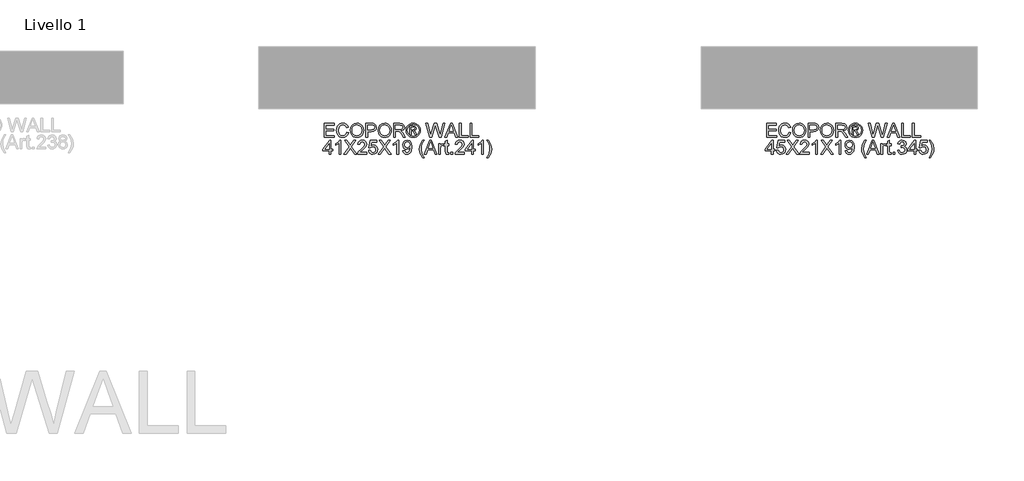
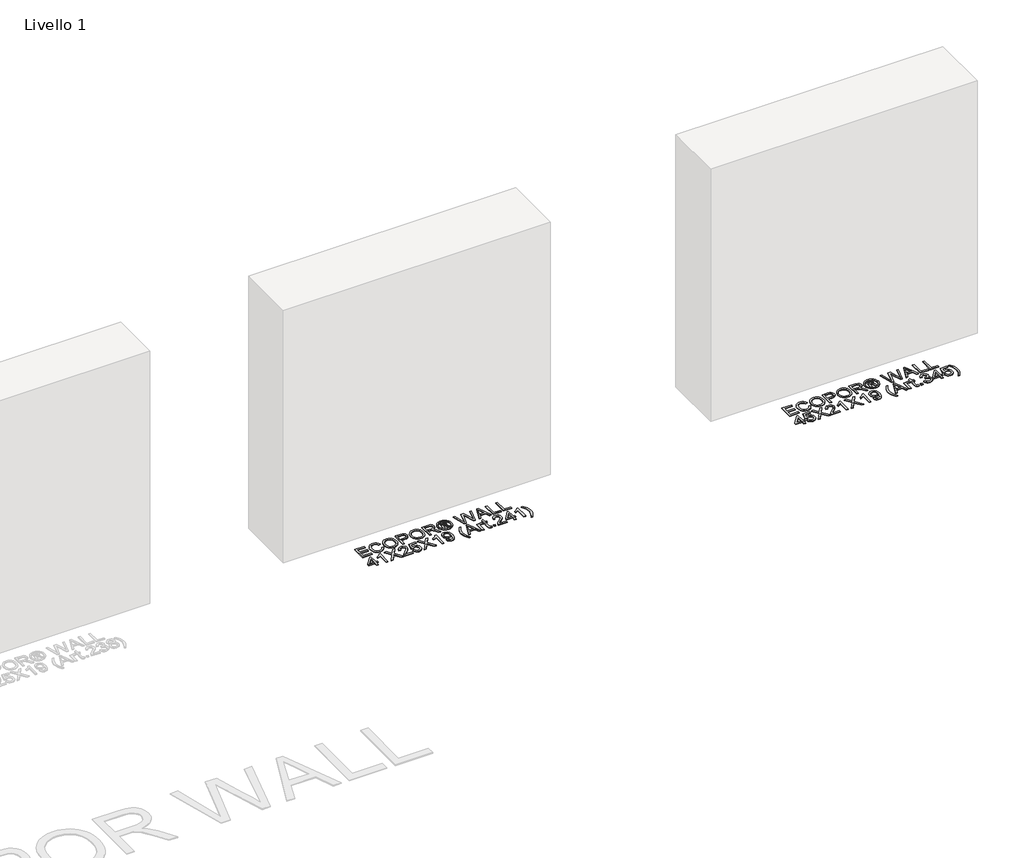
# One storey, part 4 of 4: 2 proxies.
"""IFC4 building model written with IfcOpenShell, lengths in millimetres."""

from ifc_helpers import new_model, si_unit, origin, origin_with_axes, place, context, project, spatial, polyline, outline, extrude, element, save

model = new_model("IFC4")

# Units and contexts
model_context = context("Model", 3, world=origin())
ifc_project = project(units=[si_unit("LENGTHUNIT", "METRE", prefix="MILLI")], contexts=[model_context])

# Site, building, storey
site = spatial("IfcSite", under=ifc_project)
building = spatial("IfcBuilding", under=site)
storey = spatial("IfcBuildingStorey", under=building, Name="Livello 1", Elevation=0.0)

# Proxies
placement = place(None, origin())
element("IfcBuildingElementProxy", 1, Name="100", ObjectType="100", at=placement, inside=storey, context=model_context, shape_type="SweptSolid", body=[
    extrude(outline(polyline([(4091.6515481, 182.2200494), (4091.6515481, 282.6763596), (4163.854521, 282.6763596), (4163.854521, 270.1193208), (4104.2085869, 270.1193208), (4104.2085869, 240.2963537), (4160.7152613, 240.2963537), (4160.7152613, 227.739315), (4104.2085869, 227.739315), (4104.2085869, 194.7770882), (4165.4241509, 194.7770882), (4165.4241509, 182.2200494), (4091.6515481, 182.2200494)])), origin_with_axes(), (0.0, 0.0, 1.0), 5.0),
    extrude(outline(polyline([(4254.8930521, 217.9291284), (4267.4500909, 214.6917669), (4261.6559495, 200.0592605), (4252.5631328, 189.3692229), (4240.6192307, 182.8301204), (4226.2718329, 180.6504196), (4211.7067716, 182.2997572), (4200.1399485, 187.24777), (4191.2739924, 195.3227798), (4184.811532, 206.3531083), (4179.5508195, 233.208494), (4181.0376759, 247.8563287), (4185.4982451, 260.505338), (4192.6995351, 270.7539173), (4202.4085541, 278.200462), (4213.9232606, 282.7346076), (4226.541613, 284.2459894), (4240.3095967, 282.2900835), (4251.6924788, 276.4223657), (4260.33464, 267.0045866), (4265.880461, 254.3984969), (4253.3234223, 251.40639), (4243.0227264, 266.8451711), (4226.0511037, 271.6889507), (4206.4062051, 266.3178735), (4195.3084316, 251.8968993), (4192.1078583, 233.2330194), (4195.8970428, 211.6015581), (4207.6937921, 197.7814578), (4225.0210341, 193.2074584), (4235.5026053, 194.7648255), (4244.236737, 199.4369268), (4250.8310217, 207.1747114), (4254.8930521, 217.9291284)])), origin_with_axes(), (0.0, 0.0, 1.0), 5.0),
    extrude(outline(polyline([(4280.0071296, 231.1238293), (4283.3548558, 253.3377705), (4293.3980343, 270.1438463), (4308.7325821, 280.7204537), (4327.9544164, 284.2459894), (4341.1307231, 282.5905205), (4352.9458666, 277.6241135), (4362.7560531, 269.6962565), (4369.9174893, 259.1564374), (4374.295285, 246.5135595), (4375.7545503, 232.2765263), (4374.2186429, 217.8494207), (4369.6109209, 205.0287331), (4362.185836, 194.4705199), (4352.1978398, 186.8308371), (4340.483864, 182.195524), (4327.88084, 180.6504196), (4314.5021981, 182.3580052), (4302.6196096, 187.480762), (4292.8339485, 195.5557718), (4285.7460888, 206.1201164), (4280.0071296, 231.1238293)]), holes=[polyline([(4292.5641684, 231.001202), (4295.074963, 215.2865094), (4302.6073469, 203.3119505), (4313.9289153, 195.7335814), (4327.8072636, 193.2074584), (4341.8879469, 195.7581069), (4353.2279094, 203.4100524), (4360.705111, 215.7524933), (4363.1975115, 232.3746281), (4358.9300803, 253.0986472), (4346.4588807, 266.8206456), (4328.0279928, 271.6889507), (4314.5205922, 269.343703), (4303.0365425, 262.3079598), (4295.1822619, 249.7907749), (4292.5641684, 231.001202)])]), origin_with_axes(), (0.0, 0.0, 1.0), 5.0),
    extrude(outline(polyline([(4393.0204786, 182.2200494), (4393.0204786, 282.6763596), (4430.2501365, 282.6763596), (4445.2597219, 281.7198664), (4457.4611414, 277.0232396), (4465.3706043, 267.3111549), (4468.3627112, 253.613682), (4466.3424259, 241.7740131), (4460.28157, 231.9086443), (4448.9477389, 225.2499801), (4431.1085278, 223.0304254), (4405.5775173, 223.0304254), (4405.5775173, 182.2200494), (4393.0204786, 182.2200494)]), holes=[polyline([(4405.5775173, 235.5874642), (4431.8442918, 235.5874642), (4450.3364934, 240.1982519), (4454.4383777, 245.7471386), (4455.8056724, 253.1722236), (4452.5805736, 263.5710213), (4444.107025, 269.2609295), (4431.5499862, 270.1193208), (4405.5775173, 270.1193208), (4405.5775173, 235.5874642)])]), origin_with_axes(), (0.0, 0.0, 1.0), 5.0),
    extrude(outline(polyline([(4480.9197499, 231.1238293), (4484.2674761, 253.3377705), (4494.3106546, 270.1438463), (4509.6452024, 280.7204537), (4528.8670367, 284.2459894), (4542.0433434, 282.5905205), (4553.8584869, 277.6241135), (4563.6686734, 269.6962565), (4570.8301096, 259.1564374), (4575.2079053, 246.5135595), (4576.6671706, 232.2765263), (4575.1312632, 217.8494207), (4570.5235412, 205.0287331), (4563.0984563, 194.4705199), (4553.1104601, 186.8308371), (4541.3964843, 182.195524), (4528.7934603, 180.6504196), (4515.4148184, 182.3580052), (4503.5322299, 187.480762), (4493.7465688, 195.5557718), (4486.6587091, 206.1201164), (4480.9197499, 231.1238293)]), holes=[polyline([(4493.4767887, 231.001202), (4495.9875833, 215.2865094), (4503.5199672, 203.3119505), (4514.8415356, 195.7335814), (4528.7198839, 193.2074584), (4542.8005672, 195.7581069), (4554.1405297, 203.4100524), (4561.6177313, 215.7524933), (4564.1101318, 232.3746281), (4559.8427006, 253.0986472), (4547.371501, 266.8206456), (4528.9406131, 271.6889507), (4515.4332125, 269.343703), (4503.9491628, 262.3079598), (4496.0948822, 249.7907749), (4493.4767887, 231.001202)])]), origin_with_axes(), (0.0, 0.0, 1.0), 5.0),
    extrude(outline(polyline([(4593.9330989, 182.2200494), (4593.9330989, 282.6763596), (4637.220547, 282.6763596), (4657.3191666, 279.9662956), (4668.3065756, 270.3768382), (4672.4145912, 255.1833118), (4670.7131369, 245.2872861), (4665.6087743, 237.0835177), (4656.948219, 231.068647), (4644.5781869, 227.739315), (4651.7150976, 222.3682379), (4661.8931661, 209.4433171), (4678.6440596, 182.2200494), (4664.0514071, 182.2200494), (4650.9793336, 203.0421704), (4641.537029, 216.8254825), (4634.9028904, 223.3369938), (4628.9309393, 225.7282267), (4621.6468758, 226.1696851), (4606.4901376, 226.1696851), (4606.4901376, 182.2200494), (4593.9330989, 182.2200494)]), holes=[polyline([(4606.4901376, 238.7267239), (4634.5963221, 238.7267239), (4648.9314571, 240.5048202), (4657.073912, 246.1947284), (4659.8575524, 254.717328), (4654.5477889, 265.7783133), (4637.7601072, 270.1193208), (4606.4901376, 270.1193208), (4606.4901376, 238.7267239)])]), origin_with_axes(), (0.0, 0.0, 1.0), 5.0),
    extrude(outline(polyline([(4735.2243105, 284.2459894), (4748.1185744, 282.5721264), (4760.70627, 277.5505371), (4771.7641897, 269.4142137), (4780.0691257, 258.3961479), (4785.2654589, 245.6735622), (4786.9975699, 232.4236791), (4785.2899843, 219.2902918), (4780.1672276, 206.6719394), (4771.9634591, 195.6937275), (4761.0128383, 187.480762), (4748.403683, 182.3580052), (4735.2243105, 180.6504196), (4722.0633321, 182.3580052), (4709.4603081, 187.480762), (4698.5004903, 195.6937275), (4690.2691307, 206.6719394), (4685.1187827, 219.2902918), (4683.4020001, 232.4236791), (4685.1433082, 245.6735622), (4690.3672325, 258.3961479), (4698.6997597, 269.4142137), (4709.7668764, 277.5505371), (4722.3484406, 282.5721264), (4735.2243105, 284.2459894)]), holes=[polyline([(4735.2243105, 274.8282104), (4714.4021896, 269.3467686), (4705.3737523, 262.6850388), (4698.5464756, 253.6627329), (4692.8197792, 232.4236791), (4698.436111, 211.3685662), (4714.1569349, 195.6845305), (4735.2243105, 190.0681987), (4756.3039488, 195.6845305), (4771.9879845, 211.3685662), (4777.5797909, 232.4236791), (4771.8898827, 253.6627329), (4765.0810001, 262.6850388), (4756.0341687, 269.3467686), (4735.2243105, 274.8282104)])]), origin_with_axes(), (0.0, 0.0, 1.0), 5.0),
    extrude(outline(polyline([(4711.6553373, 201.0556076), (4711.6553373, 263.8408014), (4731.937898, 263.8408014), (4746.9965343, 262.1117561), (4754.4154879, 256.0784913), (4757.1746029, 246.9182297), (4752.4166624, 234.998853), (4739.8105727, 229.3089448), (4744.715666, 225.9734814), (4753.2750537, 213.4409681), (4760.3138626, 201.0556076), (4749.7188611, 201.0556076), (4744.2006312, 211.0129469), (4734.9545304, 225.4339211), (4726.9347029, 227.739315), (4721.0731164, 227.739315), (4721.0731164, 201.0556076), (4711.6553373, 201.0556076)]), holes=[polyline([(4721.0731164, 237.1570941), (4732.992493, 237.1570941), (4744.6420896, 239.548327), (4747.7568238, 245.8881601), (4746.2607703, 250.4498968), (4742.1037038, 253.4420037), (4732.2322036, 254.4230224), (4721.0731164, 254.4230224), (4721.0731164, 237.1570941)])]), origin_with_axes(), (0.0, 0.0, 1.0), 5.0),
    extrude(outline(polyline([(4855.2028918, 182.2200494), (4827.8079459, 282.6763596), (4840.7573922, 282.6763596), (4856.6498944, 216.6538042), (4861.5549876, 196.2731417), (4866.8034374, 214.2993594), (4886.7181161, 282.6763596), (4905.381996, 282.6763596), (4919.8520211, 233.1103921), (4930.6187009, 196.2731417), (4935.3766413, 216.065193), (4951.4162963, 282.6763596), (4964.3657425, 282.6763596), (4936.9462712, 182.2200494), (4923.5308411, 182.2200494), (4899.4468331, 259.7205231), (4896.0868442, 270.5362538), (4892.3099224, 257.5132311), (4870.35963, 182.2200494), (4855.2028918, 182.2200494)])), origin_with_axes(), (0.0, 0.0, 1.0), 5.0),
    extrude(outline(polyline([(4965.2241339, 182.2200494), (5005.3232713, 282.6763596), (5016.0163747, 282.6763596), (5056.1155121, 182.2200494), (5042.8472348, 182.2200494), (5031.3447911, 213.6126464), (4989.9703294, 213.6126464), (4978.4924112, 182.2200494), (4965.2241339, 182.2200494)]), holes=[polyline([(4994.5811171, 226.1696851), (5026.7585289, 226.1696851), (5017.7086318, 250.8668297), (5010.669823, 270.1193208), (5004.4158291, 253.0250708), (4994.5811171, 226.1696851)])]), origin_with_axes(), (0.0, 0.0, 1.0), 5.0),
    extrude(outline(polyline([(5069.5309422, 182.2200494), (5069.5309422, 282.6763596), (5082.087981, 282.6763596), (5082.087981, 194.7770882), (5132.3161361, 194.7770882), (5132.3161361, 182.2200494), (5069.5309422, 182.2200494)])), origin_with_axes(), (0.0, 0.0, 1.0), 5.0),
    extrude(outline(polyline([(5146.4428047, 182.2200494), (5146.4428047, 282.6763596), (5158.9998435, 282.6763596), (5158.9998435, 194.7770882), (5209.2279985, 194.7770882), (5209.2279985, 182.2200494), (5146.4428047, 182.2200494)])), origin_with_axes(), (0.0, 0.0, 1.0), 5.0),
    extrude(outline(polyline([(4127.7530346, 60.2452316), (4127.7530346, 83.7896793), (4082.233769, 83.7896793), (4082.233769, 96.3467181), (4130.8922943, 159.1319119), (4140.3100733, 159.1319119), (4140.3100733, 96.3467181), (4152.8671121, 96.3467181), (4152.8671121, 83.7896793), (4140.3100733, 83.7896793), (4140.3100733, 60.2452316), (4127.7530346, 60.2452316)]), holes=[polyline([(4127.7530346, 96.3467181), (4127.7530346, 135.1460058), (4097.6848128, 96.3467181), (4127.7530346, 96.3467181)])]), origin_with_axes(), (0.0, 0.0, 1.0), 5.0),
    extrude(outline(polyline([(4210.9434164, 60.2452316), (4198.3863777, 60.2452316), (4198.3863777, 138.5305202), (4186.4915265, 130.0569715), (4173.2723001, 123.7171385), (4173.2723001, 135.5874642), (4191.6786626, 147.3351626), (4202.8500125, 160.7015417), (4210.9434164, 160.7015417), (4210.9434164, 60.2452316)])), origin_with_axes(), (0.0, 0.0, 1.0), 5.0),
    extrude(outline(polyline([(4234.4878641, 60.2452316), (4273.2135755, 114.9860725), (4240.7663835, 160.7015417), (4255.8250198, 160.7015417), (4274.0964923, 134.9743276), (4280.2523843, 124.9434118), (4287.4628714, 135.1460058), (4305.5381401, 160.7015417), (4320.8175056, 160.7015417), (4288.3703137, 114.8389197), (4327.096025, 60.2452316), (4312.0373887, 60.2452316), (4286.2365981, 96.6410237), (4280.865521, 104.1948673), (4274.9548836, 95.9052597), (4249.7672296, 60.2452316), (4234.4878641, 60.2452316)])), origin_with_axes(), (0.0, 0.0, 1.0), 5.0),
    extrude(outline(polyline([(4399.298998, 72.8022704), (4399.298998, 60.2452316), (4333.3745444, 60.2452316), (4334.7234451, 68.9027212), (4342.3508651, 82.2323122), (4358.071689, 96.7881765), (4379.7522013, 117.7083992), (4385.1723293, 131.9331697), (4380.0587696, 143.4478762), (4366.7046532, 148.144503), (4352.786451, 143.5582408), (4347.501213, 130.8785747), (4334.9441743, 132.4482045), (4337.9883978, 144.5944417), (4344.5704198, 153.4665292), (4354.3468838, 158.8927886), (4366.9744333, 160.7015417), (4379.6939533, 158.6904535), (4389.4520232, 152.6571888), (4395.6600319, 143.6440799), (4397.7293681, 132.6934592), (4395.4975507, 120.7863453), (4388.0785971, 108.4745612), (4370.0891675, 91.2699465), (4355.6436679, 79.1911543), (4349.9782851, 72.8022704), (4399.298998, 72.8022704)])), origin_with_axes(), (0.0, 0.0, 1.0), 5.0),
    extrude(outline(polyline([(4411.8560367, 86.928939), (4424.4130755, 88.4985688), (4430.7406458, 75.5613853), (4443.8617703, 71.2326405), (4452.8626164, 72.737891), (4459.6071197, 77.2536425), (4463.8193685, 84.2587288), (4465.2234515, 93.2319838), (4459.962739, 108.1434674), (4453.3561915, 112.2453516), (4444.057974, 113.6126464), (4433.0337769, 111.4298799), (4425.9827053, 105.7644971), (4413.4256666, 107.334127), (4424.4130755, 159.1319119), (4473.0716007, 159.1319119), (4473.0716007, 146.5748731), (4434.5666186, 146.5748731), (4429.1955414, 118.9101471), (4438.1657307, 124.3548006), (4447.5651157, 126.1696851), (4459.2974857, 123.9194736), (4469.0371615, 117.168839), (4475.5946581, 106.8804059), (4477.7804903, 94.0167988), (4475.8123216, 81.45976), (4469.9078156, 70.7176057), (4458.6015756, 61.6861027), (4443.8127194, 58.6756018), (4431.4794755, 60.6100479), (4421.6539605, 66.4133864), (4414.9186543, 75.4111668), (4411.8560367, 86.928939)])), origin_with_axes(), (0.0, 0.0, 1.0), 5.0),
    extrude(outline(polyline([(4482.4893798, 60.2452316), (4521.2150912, 114.9860725), (4488.7678992, 160.7015417), (4503.8265355, 160.7015417), (4522.0980079, 134.9743276), (4528.2539, 124.9434118), (4535.4643871, 135.1460058), (4553.5396558, 160.7015417), (4568.8190213, 160.7015417), (4536.3718294, 114.8389197), (4575.0975407, 60.2452316), (4560.0389044, 60.2452316), (4534.2381138, 96.6410237), (4528.8670367, 104.1948673), (4522.9563993, 95.9052597), (4497.7687453, 60.2452316), (4482.4893798, 60.2452316)])), origin_with_axes(), (0.0, 0.0, 1.0), 5.0),
    extrude(outline(polyline([(4630.0345853, 60.2452316), (4617.4775466, 60.2452316), (4617.4775466, 138.5305202), (4605.5826954, 130.0569715), (4592.363469, 123.7171385), (4592.363469, 135.5874642), (4610.7698315, 147.3351626), (4621.9411814, 160.7015417), (4630.0345853, 160.7015417), (4630.0345853, 60.2452316)])), origin_with_axes(), (0.0, 0.0, 1.0), 5.0),
    extrude(outline(polyline([(4661.4271822, 85.3593091), (4673.984221, 86.928939), (4679.6250783, 74.9482487), (4690.3181816, 71.2326405), (4700.4839874, 73.6238735), (4707.3756434, 80.0127575), (4711.4836591, 90.92659), (4713.2985436, 105.494717), (4713.2249672, 107.9472636), (4703.1817887, 98.4313827), (4689.4107393, 94.7770882), (4677.9604122, 97.0089056), (4668.4292029, 103.704358), (4662.000465, 114.0479734), (4659.8575524, 127.2242802), (4662.1046983, 140.835914), (4668.8461358, 151.5044919), (4678.9720877, 158.4022793), (4691.3727767, 160.7015417), (4709.2641044, 155.4530919), (4721.5758885, 140.4925575), (4725.7820059, 112.386373), (4721.5881512, 81.8889556), (4716.3734239, 71.8978938), (4709.1169516, 64.6107646), (4700.1314338, 60.1593925), (4689.7295704, 58.6756018), (4678.9935475, 60.4261069), (4670.4280284, 65.6776224), (4664.4376832, 74.0990544), (4661.4271822, 85.3593091)]), holes=[polyline([(4713.2249672, 127.5185858), (4711.8699352, 136.0289226), (4707.8048391, 142.5772221), (4701.4956629, 146.7526828), (4693.4083904, 148.144503), (4685.0206809, 146.6453838), (4678.3007031, 142.1480265), (4673.8861192, 135.2655675), (4672.4145912, 126.6111435), (4673.8064114, 118.8518991), (4677.981872, 112.6929414), (4684.5363029, 108.6738306), (4693.0650338, 107.334127), (4707.5473217, 112.6929414), (4711.8055558, 119.0787597), (4713.2249672, 127.5185858)])]), origin_with_axes(), (0.0, 0.0, 1.0), 5.0),
    extrude(outline(polyline([(4804.2634982, 31.9918944), (4786.4334842, 61.4469794), (4780.9704366, 78.6270686), (4779.1494207, 96.4202945), (4784.5940742, 126.9545001), (4804.2634982, 160.7015417), (4813.6812773, 160.7015417), (4801.9335789, 140.8113885), (4794.8702446, 121.534372), (4791.7064595, 96.3467181), (4797.2001639, 64.1570435), (4813.6812773, 31.9918944), (4804.2634982, 31.9918944)])), origin_with_axes(), (0.0, 0.0, 1.0), 5.0),
    extrude(outline(polyline([(4816.1092985, 60.2452316), (4856.208436, 160.7015417), (4866.9015393, 160.7015417), (4907.0006768, 60.2452316), (4893.7323995, 60.2452316), (4882.2299558, 91.6378285), (4840.855494, 91.6378285), (4829.3775758, 60.2452316), (4816.1092985, 60.2452316)]), holes=[polyline([(4845.4662817, 104.1948673), (4877.6436935, 104.1948673), (4868.5937965, 128.8920119), (4861.5549876, 148.144503), (4855.3009937, 131.0502529), (4845.4662817, 104.1948673)])]), origin_with_axes(), (0.0, 0.0, 1.0), 5.0),
    extrude(outline(polyline([(4918.846477, 60.2452316), (4918.846477, 134.0178344), (4929.8338859, 134.0178344), (4929.8338859, 123.1040018), (4937.6329842, 133.159443), (4945.4811335, 135.5874642), (4958.0872232, 131.7124405), (4953.8933684, 120.4552515), (4945.0642005, 123.0304254), (4937.964078, 120.5533533), (4933.4391295, 113.6862228), (4931.4035158, 99.0199939), (4931.4035158, 60.2452316), (4918.846477, 60.2452316)])), origin_with_axes(), (0.0, 0.0, 1.0), 5.0),
    extrude(outline(polyline([(4992.6190798, 70.7176057), (4994.1887096, 59.8773496), (4984.795456, 58.6756018), (4974.2740309, 60.7602664), (4969.0255811, 66.2294454), (4967.5050022, 80.4787413), (4967.5050022, 121.4607956), (4958.0872232, 121.4607956), (4958.0872232, 134.0178344), (4967.5050022, 134.0178344), (4967.5050022, 151.9459503), (4980.062041, 159.3281156), (4980.062041, 134.0178344), (4992.6190798, 134.0178344), (4992.6190798, 121.4607956), (4980.062041, 121.4607956), (4980.062041, 80.8466233), (4980.7242286, 74.3719002), (4982.8702069, 72.0787691), (4987.1499008, 71.2326405), (4992.6190798, 70.7176057)])), origin_with_axes(), (0.0, 0.0, 1.0), 5.0),
    extrude(outline(polyline([(5008.3153782, 60.2452316), (5008.3153782, 72.8022704), (5020.872417, 72.8022704), (5020.872417, 60.2452316), (5008.3153782, 60.2452316)])), origin_with_axes(), (0.0, 0.0, 1.0), 5.0),
    extrude(outline(polyline([(5105.6324287, 72.8022704), (5105.6324287, 60.2452316), (5039.7079752, 60.2452316), (5041.0568758, 68.9027212), (5048.6842958, 82.2323122), (5064.4051198, 96.7881765), (5086.085632, 117.7083992), (5091.5057601, 131.9331697), (5086.3922003, 143.4478762), (5073.0380839, 148.144503), (5059.1198818, 143.5582408), (5053.8346438, 130.8785747), (5041.277605, 132.4482045), (5044.3218285, 144.5944417), (5050.9038505, 153.4665292), (5060.6803146, 158.8927886), (5073.307864, 160.7015417), (5086.027384, 158.6904535), (5095.785454, 152.6571888), (5101.9934626, 143.6440799), (5104.0627988, 132.6934592), (5101.8309814, 120.7863453), (5094.4120278, 108.4745612), (5076.4225983, 91.2699465), (5061.9770986, 79.1911543), (5056.3117159, 72.8022704), (5105.6324287, 72.8022704)])), origin_with_axes(), (0.0, 0.0, 1.0), 5.0),
    extrude(outline(polyline([(5158.9998435, 60.2452316), (5158.9998435, 83.7896793), (5113.4805779, 83.7896793), (5113.4805779, 96.3467181), (5162.1391031, 159.1319119), (5171.5568822, 159.1319119), (5171.5568822, 96.3467181), (5184.113921, 96.3467181), (5184.113921, 83.7896793), (5171.5568822, 83.7896793), (5171.5568822, 60.2452316), (5158.9998435, 60.2452316)]), holes=[polyline([(5158.9998435, 96.3467181), (5158.9998435, 135.1460058), (5128.9316217, 96.3467181), (5158.9998435, 96.3467181)])]), origin_with_axes(), (0.0, 0.0, 1.0), 5.0),
    extrude(outline(polyline([(5242.1902253, 60.2452316), (5229.6331865, 60.2452316), (5229.6331865, 138.5305202), (5217.7383354, 130.0569715), (5204.519109, 123.7171385), (5204.519109, 135.5874642), (5222.9254715, 147.3351626), (5234.0968214, 160.7015417), (5242.1902253, 160.7015417), (5242.1902253, 60.2452316)])), origin_with_axes(), (0.0, 0.0, 1.0), 5.0),
    extrude(outline(polyline([(5278.2917118, 31.9918944), (5268.8739327, 31.9918944), (5285.3550461, 64.1570435), (5290.8487505, 96.3467181), (5287.6849654, 121.3136428), (5280.6952075, 140.6151848), (5268.8739327, 160.7015417), (5278.2917118, 160.7015417), (5297.9611358, 126.9545001), (5303.4057893, 96.4202945), (5301.5755764, 78.6270686), (5296.0849376, 61.4469794), (5278.2917118, 31.9918944)])), origin_with_axes(), (0.0, 0.0, 1.0), 5.0),
])
element("IfcBuildingElementProxy", 2, Name="100", ObjectType="100", at=placement, inside=storey, context=model_context, shape_type="SweptSolid", body=[
    extrude(outline(polyline([(7291.6515481, 182.2200494), (7291.6515481, 282.6763596), (7363.854521, 282.6763596), (7363.854521, 270.1193208), (7304.2085869, 270.1193208), (7304.2085869, 240.2963537), (7360.7152613, 240.2963537), (7360.7152613, 227.739315), (7304.2085869, 227.739315), (7304.2085869, 194.7770882), (7365.4241509, 194.7770882), (7365.4241509, 182.2200494), (7291.6515481, 182.2200494)])), origin_with_axes(), (0.0, 0.0, 1.0), 5.0),
    extrude(outline(polyline([(7454.8930521, 217.9291284), (7467.4500909, 214.6917669), (7461.6559495, 200.0592605), (7452.5631328, 189.3692229), (7440.6192307, 182.8301204), (7426.2718329, 180.6504196), (7411.7067716, 182.2997572), (7400.1399485, 187.24777), (7391.2739924, 195.3227798), (7384.811532, 206.3531083), (7379.5508195, 233.208494), (7381.0376759, 247.8563287), (7385.4982451, 260.505338), (7392.6995351, 270.7539173), (7402.4085541, 278.200462), (7413.9232606, 282.7346076), (7426.541613, 284.2459894), (7440.3095967, 282.2900835), (7451.6924788, 276.4223657), (7460.33464, 267.0045866), (7465.880461, 254.3984969), (7453.3234223, 251.40639), (7443.0227264, 266.8451711), (7426.0511037, 271.6889507), (7406.4062051, 266.3178735), (7395.3084316, 251.8968993), (7392.1078583, 233.2330194), (7395.8970428, 211.6015581), (7407.6937921, 197.7814578), (7425.0210341, 193.2074584), (7435.5026053, 194.7648255), (7444.236737, 199.4369268), (7450.8310217, 207.1747114), (7454.8930521, 217.9291284)])), origin_with_axes(), (0.0, 0.0, 1.0), 5.0),
    extrude(outline(polyline([(7480.0071296, 231.1238293), (7483.3548558, 253.3377705), (7493.3980343, 270.1438463), (7508.7325821, 280.7204537), (7527.9544164, 284.2459894), (7541.1307231, 282.5905205), (7552.9458666, 277.6241135), (7562.7560531, 269.6962565), (7569.9174893, 259.1564374), (7574.295285, 246.5135595), (7575.7545503, 232.2765263), (7574.2186429, 217.8494207), (7569.6109209, 205.0287331), (7562.185836, 194.4705199), (7552.1978398, 186.8308371), (7540.483864, 182.195524), (7527.88084, 180.6504196), (7514.5021981, 182.3580052), (7502.6196096, 187.480762), (7492.8339485, 195.5557718), (7485.7460888, 206.1201164), (7480.0071296, 231.1238293)]), holes=[polyline([(7492.5641684, 231.001202), (7495.074963, 215.2865094), (7502.6073469, 203.3119505), (7513.9289153, 195.7335814), (7527.8072636, 193.2074584), (7541.8879469, 195.7581069), (7553.2279094, 203.4100524), (7560.705111, 215.7524933), (7563.1975115, 232.3746281), (7558.9300803, 253.0986472), (7546.4588807, 266.8206456), (7528.0279928, 271.6889507), (7514.5205922, 269.343703), (7503.0365425, 262.3079598), (7495.1822619, 249.7907749), (7492.5641684, 231.001202)])]), origin_with_axes(), (0.0, 0.0, 1.0), 5.0),
    extrude(outline(polyline([(7593.0204786, 182.2200494), (7593.0204786, 282.6763596), (7630.2501365, 282.6763596), (7645.2597219, 281.7198664), (7657.4611414, 277.0232396), (7665.3706043, 267.3111549), (7668.3627112, 253.613682), (7666.3424259, 241.7740131), (7660.28157, 231.9086443), (7648.9477389, 225.2499801), (7631.1085278, 223.0304254), (7605.5775173, 223.0304254), (7605.5775173, 182.2200494), (7593.0204786, 182.2200494)]), holes=[polyline([(7605.5775173, 235.5874642), (7631.8442918, 235.5874642), (7650.3364934, 240.1982519), (7654.4383777, 245.7471386), (7655.8056724, 253.1722236), (7652.5805736, 263.5710213), (7644.107025, 269.2609295), (7631.5499862, 270.1193208), (7605.5775173, 270.1193208), (7605.5775173, 235.5874642)])]), origin_with_axes(), (0.0, 0.0, 1.0), 5.0),
    extrude(outline(polyline([(7680.9197499, 231.1238293), (7684.2674761, 253.3377705), (7694.3106546, 270.1438463), (7709.6452024, 280.7204537), (7728.8670367, 284.2459894), (7742.0433434, 282.5905205), (7753.8584869, 277.6241135), (7763.6686734, 269.6962565), (7770.8301096, 259.1564374), (7775.2079053, 246.5135595), (7776.6671706, 232.2765263), (7775.1312632, 217.8494207), (7770.5235412, 205.0287331), (7763.0984563, 194.4705199), (7753.1104601, 186.8308371), (7741.3964843, 182.195524), (7728.7934603, 180.6504196), (7715.4148184, 182.3580052), (7703.5322299, 187.480762), (7693.7465688, 195.5557718), (7686.6587091, 206.1201164), (7680.9197499, 231.1238293)]), holes=[polyline([(7693.4767887, 231.001202), (7695.9875833, 215.2865094), (7703.5199672, 203.3119505), (7714.8415356, 195.7335814), (7728.7198839, 193.2074584), (7742.8005672, 195.7581069), (7754.1405297, 203.4100524), (7761.6177313, 215.7524933), (7764.1101318, 232.3746281), (7759.8427006, 253.0986472), (7747.371501, 266.8206456), (7728.9406131, 271.6889507), (7715.4332125, 269.343703), (7703.9491628, 262.3079598), (7696.0948822, 249.7907749), (7693.4767887, 231.001202)])]), origin_with_axes(), (0.0, 0.0, 1.0), 5.0),
    extrude(outline(polyline([(7793.9330989, 182.2200494), (7793.9330989, 282.6763596), (7837.220547, 282.6763596), (7857.3191666, 279.9662956), (7868.3065756, 270.3768382), (7872.4145912, 255.1833118), (7870.7131369, 245.2872861), (7865.6087743, 237.0835177), (7856.948219, 231.068647), (7844.5781869, 227.739315), (7851.7150976, 222.3682379), (7861.8931661, 209.4433171), (7878.6440596, 182.2200494), (7864.0514071, 182.2200494), (7850.9793336, 203.0421704), (7841.537029, 216.8254825), (7834.9028904, 223.3369938), (7828.9309393, 225.7282267), (7821.6468758, 226.1696851), (7806.4901376, 226.1696851), (7806.4901376, 182.2200494), (7793.9330989, 182.2200494)]), holes=[polyline([(7806.4901376, 238.7267239), (7834.5963221, 238.7267239), (7848.9314571, 240.5048202), (7857.073912, 246.1947284), (7859.8575524, 254.717328), (7854.5477889, 265.7783133), (7837.7601072, 270.1193208), (7806.4901376, 270.1193208), (7806.4901376, 238.7267239)])]), origin_with_axes(), (0.0, 0.0, 1.0), 5.0),
    extrude(outline(polyline([(7935.2243105, 284.2459894), (7948.1185744, 282.5721264), (7960.70627, 277.5505371), (7971.7641897, 269.4142137), (7980.0691257, 258.3961479), (7985.2654589, 245.6735622), (7986.9975699, 232.4236791), (7985.2899843, 219.2902918), (7980.1672276, 206.6719394), (7971.9634591, 195.6937275), (7961.0128383, 187.480762), (7948.403683, 182.3580052), (7935.2243105, 180.6504196), (7922.0633321, 182.3580052), (7909.4603081, 187.480762), (7898.5004903, 195.6937275), (7890.2691307, 206.6719394), (7885.1187827, 219.2902918), (7883.4020001, 232.4236791), (7885.1433082, 245.6735622), (7890.3672325, 258.3961479), (7898.6997597, 269.4142137), (7909.7668764, 277.5505371), (7922.3484406, 282.5721264), (7935.2243105, 284.2459894)]), holes=[polyline([(7935.2243105, 274.8282104), (7914.4021896, 269.3467686), (7905.3737523, 262.6850388), (7898.5464756, 253.6627329), (7892.8197792, 232.4236791), (7898.436111, 211.3685662), (7914.1569349, 195.6845305), (7935.2243105, 190.0681987), (7956.3039488, 195.6845305), (7971.9879845, 211.3685662), (7977.5797909, 232.4236791), (7971.8898827, 253.6627329), (7965.0810001, 262.6850388), (7956.0341687, 269.3467686), (7935.2243105, 274.8282104)])]), origin_with_axes(), (0.0, 0.0, 1.0), 5.0),
    extrude(outline(polyline([(7911.6553373, 201.0556076), (7911.6553373, 263.8408014), (7931.937898, 263.8408014), (7946.9965343, 262.1117561), (7954.4154879, 256.0784913), (7957.1746029, 246.9182297), (7952.4166624, 234.998853), (7939.8105727, 229.3089448), (7944.715666, 225.9734814), (7953.2750537, 213.4409681), (7960.3138626, 201.0556076), (7949.7188611, 201.0556076), (7944.2006312, 211.0129469), (7934.9545304, 225.4339211), (7926.9347029, 227.739315), (7921.0731164, 227.739315), (7921.0731164, 201.0556076), (7911.6553373, 201.0556076)]), holes=[polyline([(7921.0731164, 237.1570941), (7932.992493, 237.1570941), (7944.6420896, 239.548327), (7947.7568238, 245.8881601), (7946.2607703, 250.4498968), (7942.1037038, 253.4420037), (7932.2322036, 254.4230224), (7921.0731164, 254.4230224), (7921.0731164, 237.1570941)])]), origin_with_axes(), (0.0, 0.0, 1.0), 5.0),
    extrude(outline(polyline([(8055.2028918, 182.2200494), (8027.8079459, 282.6763596), (8040.7573922, 282.6763596), (8056.6498944, 216.6538042), (8061.5549876, 196.2731417), (8066.8034374, 214.2993594), (8086.7181161, 282.6763596), (8105.381996, 282.6763596), (8119.8520211, 233.1103921), (8130.6187009, 196.2731417), (8135.3766413, 216.065193), (8151.4162963, 282.6763596), (8164.3657425, 282.6763596), (8136.9462712, 182.2200494), (8123.5308411, 182.2200494), (8099.4468331, 259.7205231), (8096.0868442, 270.5362538), (8092.3099224, 257.5132311), (8070.35963, 182.2200494), (8055.2028918, 182.2200494)])), origin_with_axes(), (0.0, 0.0, 1.0), 5.0),
    extrude(outline(polyline([(8165.2241339, 182.2200494), (8205.3232713, 282.6763596), (8216.0163747, 282.6763596), (8256.1155121, 182.2200494), (8242.8472348, 182.2200494), (8231.3447911, 213.6126464), (8189.9703294, 213.6126464), (8178.4924112, 182.2200494), (8165.2241339, 182.2200494)]), holes=[polyline([(8194.5811171, 226.1696851), (8226.7585289, 226.1696851), (8217.7086318, 250.8668297), (8210.669823, 270.1193208), (8204.4158291, 253.0250708), (8194.5811171, 226.1696851)])]), origin_with_axes(), (0.0, 0.0, 1.0), 5.0),
    extrude(outline(polyline([(8269.5309422, 182.2200494), (8269.5309422, 282.6763596), (8282.087981, 282.6763596), (8282.087981, 194.7770882), (8332.3161361, 194.7770882), (8332.3161361, 182.2200494), (8269.5309422, 182.2200494)])), origin_with_axes(), (0.0, 0.0, 1.0), 5.0),
    extrude(outline(polyline([(8346.4428047, 182.2200494), (8346.4428047, 282.6763596), (8358.9998435, 282.6763596), (8358.9998435, 194.7770882), (8409.2279985, 194.7770882), (8409.2279985, 182.2200494), (8346.4428047, 182.2200494)])), origin_with_axes(), (0.0, 0.0, 1.0), 5.0),
    extrude(outline(polyline([(7327.7530346, 60.2452316), (7327.7530346, 83.7896793), (7282.233769, 83.7896793), (7282.233769, 96.3467181), (7330.8922943, 159.1319119), (7340.3100733, 159.1319119), (7340.3100733, 96.3467181), (7352.8671121, 96.3467181), (7352.8671121, 83.7896793), (7340.3100733, 83.7896793), (7340.3100733, 60.2452316), (7327.7530346, 60.2452316)]), holes=[polyline([(7327.7530346, 96.3467181), (7327.7530346, 135.1460058), (7297.6848128, 96.3467181), (7327.7530346, 96.3467181)])]), origin_with_axes(), (0.0, 0.0, 1.0), 5.0),
    extrude(outline(polyline([(7363.854521, 86.928939), (7376.4115598, 88.4985688), (7382.7391301, 75.5613853), (7395.8602546, 71.2326405), (7404.8611008, 72.737891), (7411.605604, 77.2536425), (7415.8178529, 84.2587288), (7417.2219358, 93.2319838), (7411.9612233, 108.1434674), (7405.3546758, 112.2453516), (7396.0564583, 113.6126464), (7385.0322612, 111.4298799), (7377.9811897, 105.7644971), (7365.4241509, 107.334127), (7376.4115598, 159.1319119), (7425.070085, 159.1319119), (7425.070085, 146.5748731), (7386.5651029, 146.5748731), (7381.1940257, 118.9101471), (7390.1642151, 124.3548006), (7399.5636, 126.1696851), (7411.29597, 123.9194736), (7421.0356458, 117.168839), (7427.5931424, 106.8804059), (7429.7789746, 94.0167988), (7427.8108059, 81.45976), (7421.9062999, 70.7176057), (7410.6000599, 61.6861027), (7395.8112037, 58.6756018), (7383.4779598, 60.6100479), (7373.6524448, 66.4133864), (7366.9171386, 75.4111668), (7363.854521, 86.928939)])), origin_with_axes(), (0.0, 0.0, 1.0), 5.0),
    extrude(outline(polyline([(7434.4878641, 60.2452316), (7473.2135755, 114.9860725), (7440.7663835, 160.7015417), (7455.8250198, 160.7015417), (7474.0964923, 134.9743276), (7480.2523843, 124.9434118), (7487.4628714, 135.1460058), (7505.5381401, 160.7015417), (7520.8175056, 160.7015417), (7488.3703137, 114.8389197), (7527.096025, 60.2452316), (7512.0373887, 60.2452316), (7486.2365981, 96.6410237), (7480.865521, 104.1948673), (7474.9548836, 95.9052597), (7449.7672296, 60.2452316), (7434.4878641, 60.2452316)])), origin_with_axes(), (0.0, 0.0, 1.0), 5.0),
    extrude(outline(polyline([(7599.298998, 72.8022704), (7599.298998, 60.2452316), (7533.3745444, 60.2452316), (7534.7234451, 68.9027212), (7542.3508651, 82.2323122), (7558.071689, 96.7881765), (7579.7522013, 117.7083992), (7585.1723293, 131.9331697), (7580.0587696, 143.4478762), (7566.7046532, 148.144503), (7552.786451, 143.5582408), (7547.501213, 130.8785747), (7534.9441743, 132.4482045), (7537.9883978, 144.5944417), (7544.5704198, 153.4665292), (7554.3468838, 158.8927886), (7566.9744333, 160.7015417), (7579.6939533, 158.6904535), (7589.4520232, 152.6571888), (7595.6600319, 143.6440799), (7597.7293681, 132.6934592), (7595.4975507, 120.7863453), (7588.0785971, 108.4745612), (7570.0891675, 91.2699465), (7555.6436679, 79.1911543), (7549.9782851, 72.8022704), (7599.298998, 72.8022704)])), origin_with_axes(), (0.0, 0.0, 1.0), 5.0),
    extrude(outline(polyline([(7658.9449321, 60.2452316), (7646.3878933, 60.2452316), (7646.3878933, 138.5305202), (7634.4930422, 130.0569715), (7621.2738158, 123.7171385), (7621.2738158, 135.5874642), (7639.6801783, 147.3351626), (7650.8515282, 160.7015417), (7658.9449321, 160.7015417), (7658.9449321, 60.2452316)])), origin_with_axes(), (0.0, 0.0, 1.0), 5.0),
    extrude(outline(polyline([(7682.4893798, 60.2452316), (7721.2150912, 114.9860725), (7688.7678992, 160.7015417), (7703.8265355, 160.7015417), (7722.0980079, 134.9743276), (7728.2539, 124.9434118), (7735.4643871, 135.1460058), (7753.5396558, 160.7015417), (7768.8190213, 160.7015417), (7736.3718294, 114.8389197), (7775.0975407, 60.2452316), (7760.0389044, 60.2452316), (7734.2381138, 96.6410237), (7728.8670367, 104.1948673), (7722.9563993, 95.9052597), (7697.7687453, 60.2452316), (7682.4893798, 60.2452316)])), origin_with_axes(), (0.0, 0.0, 1.0), 5.0),
    extrude(outline(polyline([(7830.0345853, 60.2452316), (7817.4775466, 60.2452316), (7817.4775466, 138.5305202), (7805.5826954, 130.0569715), (7792.363469, 123.7171385), (7792.363469, 135.5874642), (7810.7698315, 147.3351626), (7821.9411814, 160.7015417), (7830.0345853, 160.7015417), (7830.0345853, 60.2452316)])), origin_with_axes(), (0.0, 0.0, 1.0), 5.0),
    extrude(outline(polyline([(7861.4271822, 85.3593091), (7873.984221, 86.928939), (7879.6250783, 74.9482487), (7890.3181816, 71.2326405), (7900.4839874, 73.6238735), (7907.3756434, 80.0127575), (7911.4836591, 90.92659), (7913.2985436, 105.494717), (7913.2249672, 107.9472636), (7903.1817887, 98.4313827), (7889.4107393, 94.7770882), (7877.9604122, 97.0089056), (7868.4292029, 103.704358), (7862.000465, 114.0479734), (7859.8575524, 127.2242802), (7862.1046983, 140.835914), (7868.8461358, 151.5044919), (7878.9720877, 158.4022793), (7891.3727767, 160.7015417), (7909.2641044, 155.4530919), (7921.5758885, 140.4925575), (7925.7820059, 112.386373), (7921.5881512, 81.8889556), (7916.3734239, 71.8978938), (7909.1169516, 64.6107646), (7900.1314338, 60.1593925), (7889.7295704, 58.6756018), (7878.9935475, 60.4261069), (7870.4280284, 65.6776224), (7864.4376832, 74.0990544), (7861.4271822, 85.3593091)]), holes=[polyline([(7913.2249672, 127.5185858), (7911.8699352, 136.0289226), (7907.8048391, 142.5772221), (7901.4956629, 146.7526828), (7893.4083904, 148.144503), (7885.0206809, 146.6453838), (7878.3007031, 142.1480265), (7873.8861192, 135.2655675), (7872.4145912, 126.6111435), (7873.8064114, 118.8518991), (7877.981872, 112.6929414), (7884.5363029, 108.6738306), (7893.0650338, 107.334127), (7907.5473217, 112.6929414), (7911.8055558, 119.0787597), (7913.2249672, 127.5185858)])]), origin_with_axes(), (0.0, 0.0, 1.0), 5.0),
    extrude(outline(polyline([(8004.2634982, 31.9918944), (7986.4334842, 61.4469794), (7980.9704366, 78.6270686), (7979.1494207, 96.4202945), (7984.5940742, 126.9545001), (8004.2634982, 160.7015417), (8013.6812773, 160.7015417), (8001.9335789, 140.8113885), (7994.8702446, 121.534372), (7991.7064595, 96.3467181), (7997.2001639, 64.1570435), (8013.6812773, 31.9918944), (8004.2634982, 31.9918944)])), origin_with_axes(), (0.0, 0.0, 1.0), 5.0),
    extrude(outline(polyline([(8016.1092985, 60.2452316), (8056.208436, 160.7015417), (8066.9015393, 160.7015417), (8107.0006768, 60.2452316), (8093.7323995, 60.2452316), (8082.2299558, 91.6378285), (8040.855494, 91.6378285), (8029.3775758, 60.2452316), (8016.1092985, 60.2452316)]), holes=[polyline([(8045.4662817, 104.1948673), (8077.6436935, 104.1948673), (8068.5937965, 128.8920119), (8061.5549876, 148.144503), (8055.3009937, 131.0502529), (8045.4662817, 104.1948673)])]), origin_with_axes(), (0.0, 0.0, 1.0), 5.0),
    extrude(outline(polyline([(8118.846477, 60.2452316), (8118.846477, 134.0178344), (8129.8338859, 134.0178344), (8129.8338859, 123.1040018), (8137.6329842, 133.159443), (8145.4811335, 135.5874642), (8158.0872232, 131.7124405), (8153.8933684, 120.4552515), (8145.0642005, 123.0304254), (8137.964078, 120.5533533), (8133.4391295, 113.6862228), (8131.4035158, 99.0199939), (8131.4035158, 60.2452316), (8118.846477, 60.2452316)])), origin_with_axes(), (0.0, 0.0, 1.0), 5.0),
    extrude(outline(polyline([(8192.6190798, 70.7176057), (8194.1887096, 59.8773496), (8184.795456, 58.6756018), (8174.2740309, 60.7602664), (8169.0255811, 66.2294454), (8167.5050022, 80.4787413), (8167.5050022, 121.4607956), (8158.0872232, 121.4607956), (8158.0872232, 134.0178344), (8167.5050022, 134.0178344), (8167.5050022, 151.9459503), (8180.062041, 159.3281156), (8180.062041, 134.0178344), (8192.6190798, 134.0178344), (8192.6190798, 121.4607956), (8180.062041, 121.4607956), (8180.062041, 80.8466233), (8180.7242286, 74.3719002), (8182.8702069, 72.0787691), (8187.1499008, 71.2326405), (8192.6190798, 70.7176057)])), origin_with_axes(), (0.0, 0.0, 1.0), 5.0),
    extrude(outline(polyline([(8208.3153782, 60.2452316), (8208.3153782, 72.8022704), (8220.872417, 72.8022704), (8220.872417, 60.2452316), (8208.3153782, 60.2452316)])), origin_with_axes(), (0.0, 0.0, 1.0), 5.0),
    extrude(outline(polyline([(8241.277605, 86.928939), (8253.8346438, 88.4985688), (8260.763088, 75.2793425), (8273.724797, 71.2326405), (8282.3332357, 72.6244607), (8288.979637, 76.7999214), (8294.6450198, 90.5832335), (8289.028688, 103.5694679), (8274.7548666, 108.7075531), (8265.9502241, 107.334127), (8267.3481757, 119.8911657), (8269.359264, 119.744013), (8283.6085599, 123.3492565), (8288.3542377, 127.923256), (8289.9361302, 134.4347673), (8285.349868, 144.2572166), (8273.5285932, 148.144503), (8261.5601657, 144.2204284), (8255.4042736, 132.4482045), (8242.8472348, 134.0178344), (8246.5444489, 145.2934175), (8253.1234052, 153.7117838), (8262.1242514, 158.9541023), (8273.0871349, 160.7015417), (8288.2316103, 157.2557137), (8298.8266118, 147.8379346), (8302.493169, 135.1705313), (8299.0105528, 123.5945112), (8288.7098569, 115.2803781), (8302.3950671, 106.6964649), (8307.2020585, 90.3625043), (8304.7985628, 78.1242966), (8297.5880757, 67.8971771), (8286.7049, 60.9809956), (8273.2833386, 58.6756018), (8261.1432327, 60.6437704), (8251.2594698, 66.5482764), (8244.3862079, 75.5797794), (8241.277605, 86.928939)])), origin_with_axes(), (0.0, 0.0, 1.0), 5.0),
    extrude(outline(polyline([(8358.9998435, 60.2452316), (8358.9998435, 83.7896793), (8313.4805779, 83.7896793), (8313.4805779, 96.3467181), (8362.1391031, 159.1319119), (8371.5568822, 159.1319119), (8371.5568822, 96.3467181), (8384.113921, 96.3467181), (8384.113921, 83.7896793), (8371.5568822, 83.7896793), (8371.5568822, 60.2452316), (8358.9998435, 60.2452316)]), holes=[polyline([(8358.9998435, 96.3467181), (8358.9998435, 135.1460058), (8328.9316217, 96.3467181), (8358.9998435, 96.3467181)])]), origin_with_axes(), (0.0, 0.0, 1.0), 5.0),
    extrude(outline(polyline([(8395.1013299, 86.928939), (8407.6583687, 88.4985688), (8413.985939, 75.5613853), (8427.1070635, 71.2326405), (8436.1079096, 72.737891), (8442.8524129, 77.2536425), (8447.0646617, 84.2587288), (8448.4687447, 93.2319838), (8443.2080322, 108.1434674), (8436.6014847, 112.2453516), (8427.3032672, 113.6126464), (8416.2790701, 111.4298799), (8409.2279985, 105.7644971), (8396.6709598, 107.334127), (8407.6583687, 159.1319119), (8456.3168939, 159.1319119), (8456.3168939, 146.5748731), (8417.8119118, 146.5748731), (8412.4408346, 118.9101471), (8421.4110239, 124.3548006), (8430.8104089, 126.1696851), (8442.5427789, 123.9194736), (8452.2824547, 117.168839), (8458.8399513, 106.8804059), (8461.0257835, 94.0167988), (8459.0576148, 81.45976), (8453.1531088, 70.7176057), (8441.8468688, 61.6861027), (8427.0580126, 58.6756018), (8414.7247687, 60.6100479), (8404.8992537, 66.4133864), (8398.1639475, 75.4111668), (8395.1013299, 86.928939)])), origin_with_axes(), (0.0, 0.0, 1.0), 5.0),
    extrude(outline(polyline([(8478.2917118, 31.9918944), (8468.8739327, 31.9918944), (8485.3550461, 64.1570435), (8490.8487505, 96.3467181), (8487.6849654, 121.3136428), (8480.6952075, 140.6151848), (8468.8739327, 160.7015417), (8478.2917118, 160.7015417), (8497.9611358, 126.9545001), (8503.4057893, 96.4202945), (8501.5755764, 78.6270686), (8496.0849376, 61.4469794), (8478.2917118, 31.9918944)])), origin_with_axes(), (0.0, 0.0, 1.0), 5.0),
])

save(model, "model.ifc")
